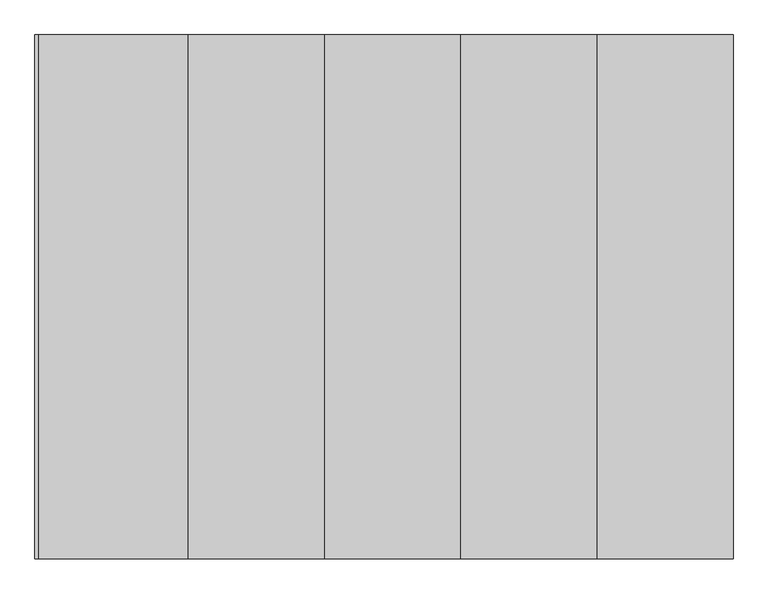
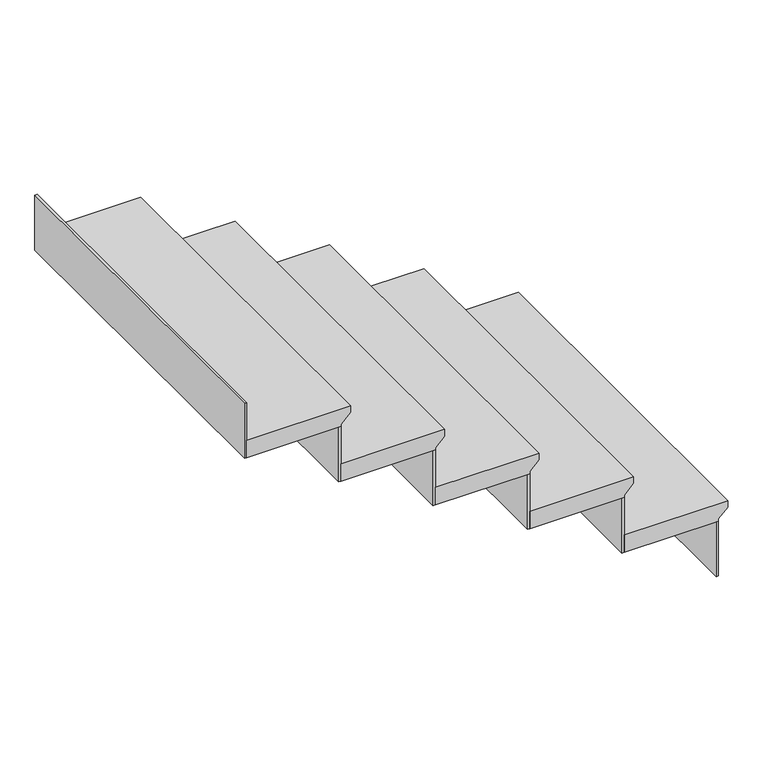
"""IFC4 building model written with IfcOpenShell, lengths in millimetres: stair flight geometry."""

from ifc_helpers import new_model, si_unit, frame, origin, place, context, project, spatial, polyline, outline, extrude, source, transform, mapped, element, save


def stair_flight_11d336da(model_context):
    return source(origin(), model_context, "Body", "SweptSolid", [
        extrude(outline(polyline([(2240.0, -2658.5854491), (2240.0, -2943.9854491), (2189.2, -2943.9854491), (2189.2, -2683.9854491), (2195.55, -2683.9854491), (2220.95, -2658.5854491), (2240.0, -2658.5854491)])), frame((0.0, -6685.3937808, 0.0), z_axis=(0.0, 1.0, 0.0), x_axis=(0.0, 0.0, 1.0)), (0.0, 0.0, 1.0), 1000.0),
        extrude(outline(polyline([(-2690.3354491, -5685.3937808), (-2683.9854491, -5685.3937808), (-2683.9854491, -6685.3937808), (-2690.3354491, -6685.3937808), (-2690.3354491, -5685.3937808)])), frame((0.0, 0.0, 2029.2), z_axis=(0.0, 0.0, 1.0), x_axis=(1.0, 0.0, 0.0)), (0.0, 0.0, 1.0), 160.0),
        extrude(outline(polyline([(2400.0, -2918.5854491), (2400.0, -3203.9854491), (2349.2, -3203.9854491), (2349.2, -2943.9854491), (2355.55, -2943.9854491), (2380.95, -2918.5854491), (2400.0, -2918.5854491)])), frame((0.0, -6685.3937808, 0.0), z_axis=(0.0, 1.0, 0.0), x_axis=(0.0, 0.0, 1.0)), (0.0, 0.0, 1.0), 1000.0),
        extrude(outline(polyline([(-2950.3354491, -5685.3937808), (-2943.9854491, -5685.3937808), (-2943.9854491, -6685.3937808), (-2950.3354491, -6685.3937808), (-2950.3354491, -5685.3937808)])), frame((0.0, 0.0, 2189.2), z_axis=(0.0, 0.0, 1.0), x_axis=(1.0, 0.0, 0.0)), (0.0, 0.0, 1.0), 160.0),
        extrude(outline(polyline([(2560.0, -3178.5854491), (2560.0, -3463.9854491), (2509.2, -3463.9854491), (2509.2, -3203.9854491), (2515.55, -3203.9854491), (2540.95, -3178.5854491), (2560.0, -3178.5854491)])), frame((0.0, -6685.3937808, 0.0), z_axis=(0.0, 1.0, 0.0), x_axis=(0.0, 0.0, 1.0)), (0.0, 0.0, 1.0), 1000.0),
        extrude(outline(polyline([(-3210.3354491, -5685.3937808), (-3203.9854491, -5685.3937808), (-3203.9854491, -6685.3937808), (-3210.3354491, -6685.3937808), (-3210.3354491, -5685.3937808)])), frame((0.0, 0.0, 2349.2), z_axis=(0.0, 0.0, 1.0), x_axis=(1.0, 0.0, 0.0)), (0.0, 0.0, 1.0), 160.0),
        extrude(outline(polyline([(2720.0, -3438.5854491), (2720.0, -3723.9854491), (2669.2, -3723.9854491), (2669.2, -3463.9854491), (2675.55, -3463.9854491), (2700.95, -3438.5854491), (2720.0, -3438.5854491)])), frame((0.0, -6685.3937808, 0.0), z_axis=(0.0, 1.0, 0.0), x_axis=(0.0, 0.0, 1.0)), (0.0, 0.0, 1.0), 1000.0),
        extrude(outline(polyline([(-3470.3354491, -5685.3937808), (-3463.9854491, -5685.3937808), (-3463.9854491, -6685.3937808), (-3470.3354491, -6685.3937808), (-3470.3354491, -5685.3937808)])), frame((0.0, 0.0, 2509.2), z_axis=(0.0, 0.0, 1.0), x_axis=(1.0, 0.0, 0.0)), (0.0, 0.0, 1.0), 160.0),
        extrude(outline(polyline([(2880.0, -3698.5854491), (2880.0, -3983.9854491), (2829.2, -3983.9854491), (2829.2, -3723.9854491), (2835.55, -3723.9854491), (2860.95, -3698.5854491), (2880.0, -3698.5854491)])), frame((0.0, -6685.3937808, 0.0), z_axis=(0.0, 1.0, 0.0), x_axis=(0.0, 0.0, 1.0)), (0.0, 0.0, 1.0), 1000.0),
        extrude(outline(polyline([(-3730.3354491, -5685.3937808), (-3723.9854491, -5685.3937808), (-3723.9854491, -6685.3937808), (-3730.3354491, -6685.3937808), (-3730.3354491, -5685.3937808)])), frame((0.0, 0.0, 2669.2), z_axis=(0.0, 0.0, 1.0), x_axis=(1.0, 0.0, 0.0)), (0.0, 0.0, 1.0), 160.0),
        extrude(outline(polyline([(-3990.3354491, -5685.3937808), (-3983.9854491, -5685.3937808), (-3983.9854491, -6685.3937808), (-3990.3354491, -6685.3937808), (-3990.3354491, -5685.3937808)])), frame((0.0, 0.0, 2829.2), z_axis=(0.0, 0.0, 1.0), x_axis=(1.0, 0.0, 0.0)), (0.0, 0.0, 1.0), 160.0),
    ])


if __name__ == "__main__":
    model = new_model("IFC4")
    model_context = context("Model", 3, world=origin())
    ifc_project = project(units=[si_unit("LENGTHUNIT", "METRE", prefix="MILLI")], contexts=[model_context])
    site = spatial("IfcSite", under=ifc_project)
    building = spatial("IfcBuilding", under=site)
    placement = place(None, origin())
    stair_flight_shape = stair_flight_11d336da(model_context)
    element("IfcStairFlight", 1, at=placement, inside=building, context=model_context, shape_type="MappedRepresentation", body=[
        mapped(stair_flight_shape, transform((0.0, 0.0, 0.0), x_axis=(1.0, 0.0, 0.0), y_axis=(0.0, 1.0, 0.0), z_axis=(0.0, 0.0, 1.0))),
    ])
    save(model, "model.ifc")
